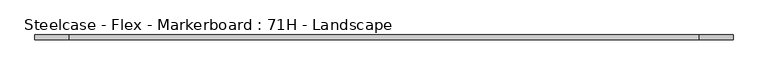
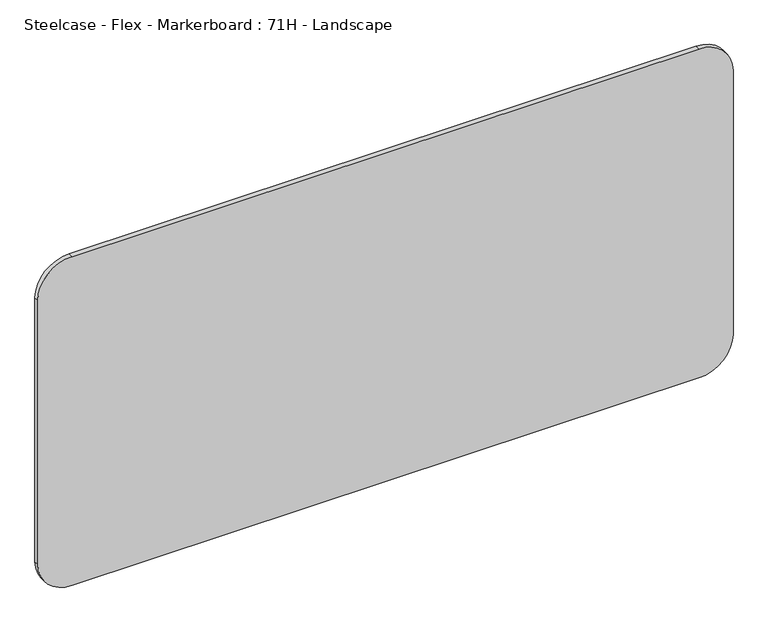
"""IFC4 building model written with IfcOpenShell, lengths in millimetres: furniture geometry, Steelcase - Flex - Markerboard : 71H - Landscape."""

import ifcopenshell
import ifcopenshell.guid

model = None  # the IFC model being written
_history = None  # IfcOwnerHistory: only IFC2X3 demands one
_inside = {}  # id of a spatial element -> (the spatial element, [elements in it])
_under = {}  # id of a project, library or spatial element -> (it, [spatial elements below it])
_declared = {}  # id of a project -> (the project, [libraries it declares])
_typed = {}  # id of a type object -> (the type object, [elements of that type])
_made_of = {}  # id of a material, layer set ... -> (it, [elements and type objects made of it])


def new_model(schema):
    """Start an empty IFC model of exactly this schema.

    Asked for "IFC4X3", IfcOpenShell would pick the latest addendum, in which some entities
    have other attributes; the version numbers below select the first issue.
    IFC2X3 requires an IfcOwnerHistory on every rooted entity: one is made here for all.
    """
    global model, _history
    if schema == "IFC4X3":
        model = ifcopenshell.file(schema_version=(4, 3, 0, 0))
    else:
        model = ifcopenshell.file(schema=schema)
    _inside.clear()
    _under.clear()
    _declared.clear()
    _typed.clear()
    _made_of.clear()
    _history = None
    if model.schema == "IFC2X3":
        org = make("IfcOrganization", Name="unknown")
        user = make(
            "IfcPersonAndOrganization",
            ThePerson=make("IfcPerson", FamilyName="unknown"),
            TheOrganization=org,
        )
        app = make(
            "IfcApplication",
            ApplicationDeveloper=org,
            Version="unknown",
            ApplicationFullName="unknown",
            ApplicationIdentifier="unknown",
        )
        _history = make(
            "IfcOwnerHistory",
            OwningUser=user,
            OwningApplication=app,
            ChangeAction="ADDED",
            CreationDate=0,
        )
    return model


def make(cls, **values):
    """One entity of the class cls with the attributes given. An attribute that is None is left unset."""
    return model.create_entity(
        cls, **{name: value for name, value in values.items() if value is not None}
    )


def rooted(cls, **values):
    """An entity with a GlobalId (a new one), such as an element, a storey or a relation."""
    return make(cls, GlobalId=ifcopenshell.guid.new(), OwnerHistory=_history, **values)


def si_unit(unit_type, name, prefix=None):
    """IfcSIUnit, for example si_unit("LENGTHUNIT", "METRE", prefix="MILLI")."""
    return make("IfcSIUnit", UnitType=unit_type, Prefix=prefix, Name=name)


def assignment(units):
    """IfcUnitAssignment: the units of a project."""
    return None if units is None else make("IfcUnitAssignment", Units=units)


def point(xyz):
    """IfcCartesianPoint."""
    return None if xyz is None else make("IfcCartesianPoint", Coordinates=xyz)


def direction(xyz):
    """IfcDirection."""
    return None if xyz is None else make("IfcDirection", DirectionRatios=xyz)


def frame(location, z_axis=None, x_axis=None):
    """IfcAxis2Placement3D, a coordinate frame: its origin and axes. An axis left out is left unset."""
    return make(
        "IfcAxis2Placement3D",
        Location=point(location),
        Axis=direction(z_axis),
        RefDirection=direction(x_axis),
    )


def frame_2d(location, x_axis=None):
    """IfcAxis2Placement2D, a coordinate frame in the plane: its origin and x axis."""
    return make(
        "IfcAxis2Placement2D", Location=point(location), RefDirection=direction(x_axis)
    )


def origin():
    """The frame at (0, 0, 0) with its axes left unset."""
    return frame((0.0, 0.0, 0.0))


def place(relative_to, where):
    """IfcLocalPlacement: puts the frame where relative to a parent placement (None: the world)."""
    return make(
        "IfcLocalPlacement", PlacementRelTo=relative_to, RelativePlacement=where
    )


def context(
    kind, dimensions, precision=None, world=None, true_north=None, identifier=None
):
    """IfcGeometricRepresentationContext, for example the 3D "Model" context."""
    return make(
        "IfcGeometricRepresentationContext",
        ContextIdentifier=identifier,
        ContextType=kind,
        CoordinateSpaceDimension=dimensions,
        Precision=precision,
        WorldCoordinateSystem=world,
        TrueNorth=true_north,
    )


def project(units=None, contexts=None):
    """IfcProject with its units and contexts."""
    return rooted(
        "IfcProject",
        Name="project",
        RepresentationContexts=contexts,
        UnitsInContext=assignment(units),
    )


def spatial(cls, under=None, at=None, **own):
    """A site, building, storey or space (cls), placed at a placement, below another one or the project."""
    s = rooted(cls, ObjectPlacement=at, **own)
    if under is not None:
        _under.setdefault(under.id(), (under, []))[1].append(s)
    return s


def polyline(points):
    """IfcPolyline through the points."""
    return make("IfcPolyline", Points=[point(p) for p in points])


def circle_curve(where, radius):
    """IfcCircle in the frame where."""
    return make("IfcCircle", Position=where, Radius=radius)


def trimmed(basis, trim1, trim2, sense, master):
    """IfcTrimmedCurve: the piece of a basis curve between two trims."""
    return make(
        "IfcTrimmedCurve",
        BasisCurve=basis,
        Trim1=trim1,
        Trim2=trim2,
        SenseAgreement=sense,
        MasterRepresentation=master,
    )


def segment(curve, same_sense, transition):
    """IfcCompositeCurveSegment."""
    return make(
        "IfcCompositeCurveSegment",
        Transition=transition,
        SameSense=same_sense,
        ParentCurve=curve,
    )


def composite_curve(segments, self_intersect=None):
    """IfcCompositeCurve: segments joined end to end."""
    return make("IfcCompositeCurve", Segments=segments, SelfIntersect=self_intersect)


def outline(outer, holes=None, kind="AREA"):
    """IfcArbitraryClosedProfileDef: a profile drawn as a closed curve; with holes, ...WithVoids."""
    if holes is None:
        return make("IfcArbitraryClosedProfileDef", ProfileType=kind, OuterCurve=outer)
    return make(
        "IfcArbitraryProfileDefWithVoids",
        ProfileType=kind,
        OuterCurve=outer,
        InnerCurves=holes,
    )


def extrude(swept, where, along, depth):
    """IfcExtrudedAreaSolid: the profile swept, set in the frame where, extruded along a direction by depth."""
    return make(
        "IfcExtrudedAreaSolid",
        SweptArea=swept,
        Position=where,
        ExtrudedDirection=direction(along),
        Depth=depth,
    )


def shape(context_of_items, identifier, shape_type, items):
    """IfcShapeRepresentation: the items that make up one representation, for example the "Body"."""
    return make(
        "IfcShapeRepresentation",
        ContextOfItems=context_of_items,
        RepresentationIdentifier=identifier,
        RepresentationType=shape_type,
        Items=items,
    )


def source(mapping_origin, context_of_items, identifier, shape_type, items):
    """IfcRepresentationMap: a shape defined once, which mapped items show again and again."""
    return make(
        "IfcRepresentationMap",
        MappingOrigin=mapping_origin,
        MappedRepresentation=shape(context_of_items, identifier, shape_type, items),
    )


def transform(
    local_origin,
    x_axis=None,
    y_axis=None,
    z_axis=None,
    scale=None,
    scale2=None,
    scale3=None,
    uniform=True,
):
    """IfcCartesianTransformationOperator3D, or its non-uniform kind. x_axis, y_axis, z_axis: its Axis1, 2, 3."""
    if uniform:
        return make(
            "IfcCartesianTransformationOperator3D",
            Axis1=direction(x_axis),
            Axis2=direction(y_axis),
            LocalOrigin=point(local_origin),
            Scale=scale,
            Axis3=direction(z_axis),
        )
    return make(
        "IfcCartesianTransformationOperator3DnonUniform",
        Axis1=direction(x_axis),
        Axis2=direction(y_axis),
        LocalOrigin=point(local_origin),
        Scale=scale,
        Axis3=direction(z_axis),
        Scale2=scale2,
        Scale3=scale3,
    )


def mapped(mapping_source, mapping_target):
    """IfcMappedItem: shows the shape of a source again, moved by a transform."""
    return make(
        "IfcMappedItem", MappingSource=mapping_source, MappingTarget=mapping_target
    )


def made_of(thing, what):
    """Note that an element or type object is made of a material, layer set ...; save() writes the relation."""
    if what is not None:
        _made_of.setdefault(what.id(), (what, []))[1].append(thing)
    return thing


def element(
    cls,
    number,
    at=None,
    inside=None,
    cuts=None,
    type_object=None,
    material=None,
    context=None,
    identifier="Body",
    shape_type=None,
    held_by="IfcProductDefinitionShape",
    body=None,
    shapes=None,
    **own,
):
    """One element of the class cls, such as IfcWall. Its Tag is "e" and its number.

    at: its placement. inside: the storey or other place that contains it. cuts: it is an
    opening in that element (IfcRelVoidsElement). A single representation is given by context,
    identifier, shape_type and body (its items); several are given by shapes. held_by: the class
    of the entity that holds the representations. save() writes the other relations.
    """
    e = rooted(cls, Tag="e%d" % number, ObjectPlacement=at, **own)
    if body is not None:
        shapes = [shape(context, identifier, shape_type, body)]
    if shapes is not None:
        e.Representation = make(held_by, Representations=shapes)
    if inside is not None:
        _inside.setdefault(inside.id(), (inside, []))[1].append(e)
    if cuts is not None:
        rooted(
            "IfcRelVoidsElement", RelatingBuildingElement=cuts, RelatedOpeningElement=e
        )
    if type_object is not None:
        _typed.setdefault(type_object.id(), (type_object, []))[1].append(e)
    return made_of(e, material)


def aggregate(whole, parts):
    """IfcRelAggregates: a whole, such as a stair, and the parts it consists of."""
    return rooted("IfcRelAggregates", RelatingObject=whole, RelatedObjects=parts)


def save(model, path):
    """Write the relations noted so far, then the file.

    IfcRelAggregates (storeys below a building ...), IfcRelContainedInSpatialStructure (elements
    in a storey), IfcRelDefinesByType, IfcRelAssociatesMaterial and IfcRelDeclares: one each for
    every whole, place, type object, material and project.
    """
    for whole, parts in _under.values():
        aggregate(whole, parts)
    for where, things in _inside.values():
        rooted(
            "IfcRelContainedInSpatialStructure",
            RelatedElements=things,
            RelatingStructure=where,
        )
    for kind, things in _typed.values():
        rooted("IfcRelDefinesByType", RelatedObjects=things, RelatingType=kind)
    for what, things in _made_of.values():
        rooted("IfcRelAssociatesMaterial", RelatedObjects=things, RelatingMaterial=what)
    for by, libraries in _declared.values():
        rooted("IfcRelDeclares", RelatingContext=by, RelatedDefinitions=libraries)
    model.write(path)


def steelcase_flex_markerboard_71h_landscape_7f9c43ea(model_context):
    return source(origin(), model_context, "Body", "SweptSolid", [
        extrude(outline(composite_curve([segment(polyline([(901.7, 1714.5), (901.7, 88.9)]), True, "CONTINUOUS"), segment(trimmed(circle_curve(frame_2d((812.8, 88.9)), 88.9), [point((901.7, 88.9))], [point((812.8, 0.0))], False, "CARTESIAN"), True, "CONTINUOUS"), segment(polyline([(812.8, 0.0), (88.9, 0.0)]), True, "CONTINUOUS"), segment(trimmed(circle_curve(frame_2d((88.9, 88.9)), 88.9), [point((88.9, 0.0))], [point((0.0, 88.9))], False, "CARTESIAN"), True, "CONTINUOUS"), segment(polyline([(0.0, 88.9), (0.0, 1714.5)]), True, "CONTINUOUS"), segment(trimmed(circle_curve(frame_2d((88.9, 1714.5)), 88.9), [point((0.0, 1714.5))], [point((88.9, 1803.4))], False, "CARTESIAN"), True, "CONTINUOUS"), segment(polyline([(88.9, 1803.4), (812.8, 1803.4)]), True, "CONTINUOUS"), segment(trimmed(circle_curve(frame_2d((812.8, 1714.5)), 88.9), [point((812.8, 1803.4))], [point((901.7, 1714.5))], False, "CARTESIAN"), True, "CONTINUOUS")], self_intersect=False)), frame((0.0, -12.69542, 0.0), z_axis=(0.0, 1.0, 0.0), x_axis=(0.0, 0.0, 1.0)), (0.0, 0.0, 1.0), 12.69542),
    ])


if __name__ == "__main__":
    model = new_model("IFC4")
    model_context = context("Model", 3, world=origin())
    ifc_project = project(units=[si_unit("LENGTHUNIT", "METRE", prefix="MILLI")], contexts=[model_context])
    site = spatial("IfcSite", under=ifc_project)
    building = spatial("IfcBuilding", under=site)
    placement = place(None, origin())
    steelcase_flex_markerboard_71h_landscape_shape = steelcase_flex_markerboard_71h_landscape_7f9c43ea(model_context)
    element("IfcFurniture", 1, ObjectType="Steelcase - Flex - Markerboard : 71H - Landscape", at=placement, inside=building, context=model_context, shape_type="MappedRepresentation", body=[
        mapped(steelcase_flex_markerboard_71h_landscape_shape, transform((0.0, 0.0, 0.0), x_axis=(1.0, 0.0, 0.0), y_axis=(0.0, 1.0, 0.0), z_axis=(0.0, 0.0, 1.0))),
    ])
    save(model, "model.ifc")
